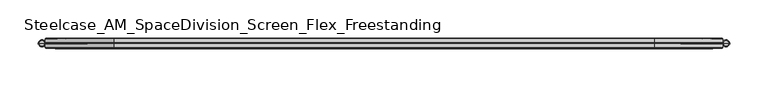
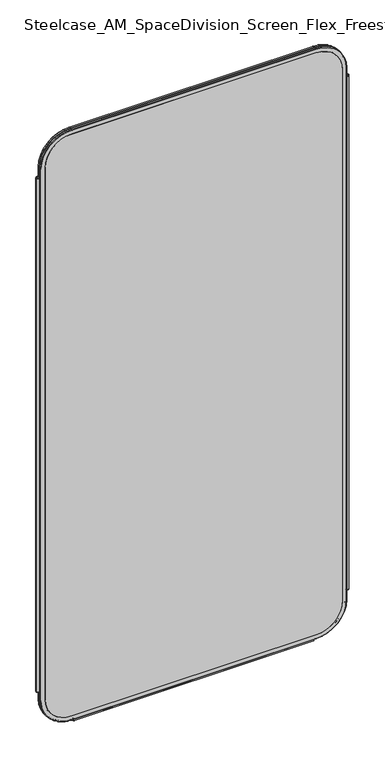
"""IFC4 building model written with IfcOpenShell, lengths in millimetres: furniture geometry, Steelcase_AM_SpaceDivision_Screen_Flex_Freestanding."""

from ifc_helpers import new_model, si_unit, point, frame, frame_2d, origin, place, context, project, spatial, polyline, circle_curve, ellipse_curve, trimmed, segment, composite_curve, outline, extrude, source, transform, mapped, element, save
from ifc_brep_helpers import plane_surface, cylinder_surface, revolved_surface, advanced_brep


def steelcase_am_spacedivision_screen_flex_freestanding_133efeea(model_context):
    return source(origin(), model_context, "Body", "SolidModel", [
        advanced_brep(
        [(898.73, 0.0, 1684.43), (892.1294661, 0.0, 1684.43), (895.429733, 0.0, 1684.43), (900.0, 0.0, 1683.16), (890.8594661, 0.0, 1683.16), (900.0, 0.0, 121.92), (890.8594661, 0.0, 121.92), (898.73, 0.0, 120.65), (892.1294661, 0.0, 120.65), (895.429733, 0.0, 120.65)],
        [
            (0, 1, circle_curve(frame((895.429733, 0.0, 1684.43), z_axis=(0.0, 0.0, 1.0), x_axis=(-1.0, 0.0, 0.0)), 3.300267)),
            (1, 2),
            (2, 0),
            (1, 0, circle_curve(frame((895.429733, 0.0, 1684.43), z_axis=(0.0, 0.0, 1.0), x_axis=(-1.0, 0.0, 0.0)), 3.300267)),
            (3, 4, circle_curve(frame((895.429733, 0.0, 1683.16), z_axis=(0.0, 0.0, 1.0), x_axis=(-1.0, 0.0, 0.0)), 4.570267)),
            (4, 1, circle_curve(frame((892.1294661, 0.0, 1683.16), z_axis=(0.0, 1.0, 0.0), x_axis=(1.0, 0.0, 0.0)), 1.27)),
            (0, 3, circle_curve(frame((898.73, 0.0, 1683.16), z_axis=(0.0, 1.0, 0.0), x_axis=(-1.0, 0.0, 0.0)), 1.27)),
            (4, 3, circle_curve(frame((895.429733, 0.0, 1683.16), z_axis=(0.0, 0.0, 1.0), x_axis=(-1.0, 0.0, 0.0)), 4.570267)),
            (5, 6, circle_curve(frame((895.429733, 0.0, 121.92), z_axis=(0.0, 0.0, 1.0), x_axis=(-1.0, 0.0, 0.0)), 4.570267)),
            (6, 4),
            (3, 5),
            (6, 5, circle_curve(frame((895.429733, 0.0, 121.92), z_axis=(0.0, 0.0, 1.0), x_axis=(-1.0, 0.0, 0.0)), 4.570267)),
            (7, 8, circle_curve(frame((895.429733, 0.0, 120.65), z_axis=(0.0, 0.0, 1.0), x_axis=(-1.0, 0.0, 0.0)), 3.300267)),
            (8, 6, circle_curve(frame((892.1294661, 0.0, 121.92), z_axis=(0.0, 1.0, 0.0), x_axis=(1.0, 0.0, 0.0)), 1.27)),
            (5, 7, circle_curve(frame((898.73, 0.0, 121.92), z_axis=(0.0, 1.0, 0.0), x_axis=(-1.0, 0.0, 0.0)), 1.27)),
            (8, 7, circle_curve(frame((895.429733, 0.0, 120.65), z_axis=(0.0, 0.0, 1.0), x_axis=(-1.0, 0.0, 0.0)), 3.300267)),
            (9, 8),
            (7, 9),
        ],
        [
            plane_surface(frame((895.429733, 0.0, 1684.43), z_axis=(0.0, 0.0, 1.0), x_axis=(-1.0, 0.0, 0.0))),
            revolved_surface(trimmed(ellipse_curve(frame((892.1294661, 0.0, 1683.16), z_axis=(0.0, -1.0, 0.0), x_axis=(1.0, 0.0, 0.0)), 1.27, 1.27), [point((892.1294661, 0.0, 1684.43))], [point((890.8594661, 0.0, 1683.16))], True, "CARTESIAN"), (895.429733, 0.0, 112.3021634), (0.0, 0.0, -1.0)),
            cylinder_surface(frame((895.429733, 0.0, 112.3021634), z_axis=(0.0, 0.0, -1.0), x_axis=(-1.0, 0.0, 0.0)), 4.570267),
            revolved_surface(trimmed(ellipse_curve(frame((892.1294661, 0.0, 121.92), z_axis=(0.0, -1.0, 0.0), x_axis=(1.0, 0.0, 0.0)), 1.27, 1.27), [point((890.8594661, 0.0, 121.92))], [point((892.1294661, 0.0, 120.65))], True, "CARTESIAN"), (895.429733, 0.0, 112.3021634), (0.0, 0.0, -1.0)),
            plane_surface(frame((895.429733, 0.0, 120.65), z_axis=(0.0, 0.0, -1.0), x_axis=(-1.0, 0.0, 0.0))),
        ],
        [
            (0, [[1, 2, 3]]),
            (0, [[4, -3, -2]]),
            (1, [[5, 6, -1, 7]]),
            (1, [[8, -7, -4, -6]]),
            (2, [[9, 10, -5, 11]]),
            (2, [[12, -11, -8, -10]]),
            (3, [[13, 14, -9, 15]]),
            (3, [[16, -15, -12, -14]]),
            (4, [[17, -13, 18]]),
            (4, [[-18, -16, -17]]),
        ],
    ),
        advanced_brep(
        [(7.9329041, 0.0, 120.65), (1.232448, 0.0, 120.65), (0.0, 0.0, 121.882448), (9.1653521, 0.0, 121.882448), (4.582676, 0.0, 120.65), (7.8953521, 0.0, 1684.43), (1.27, 0.0, 1684.43), (4.582676, 0.0, 1684.43), (9.1653521, 0.0, 1683.16), (0.0, 0.0, 1683.16)],
        [
            (0, 1, circle_curve(frame((4.582676, 0.0, 120.65), z_axis=(0.0, 0.0, 1.0), x_axis=(-1.0, 0.0, 0.0)), 3.3502281)),
            (1, 2, circle_curve(frame((1.232448, 0.0, 121.882448), z_axis=(0.0, 1.0, 0.0), x_axis=(1.0, 0.0, 0.0)), 1.232448)),
            (2, 3, circle_curve(frame((4.582676, 0.0, 121.882448), z_axis=(0.0, 0.0, -1.0), x_axis=(-1.0, 0.0, 0.0)), 4.582676)),
            (3, 0, circle_curve(frame((7.9329041, 0.0, 121.882448), z_axis=(0.0, 1.0, 0.0), x_axis=(-1.0, 0.0, 0.0)), 1.232448)),
            (1, 0, circle_curve(frame((4.582676, 0.0, 120.65), z_axis=(0.0, 0.0, 1.0), x_axis=(-1.0, 0.0, 0.0)), 3.3502281)),
            (3, 2, circle_curve(frame((4.582676, 0.0, 121.882448), z_axis=(0.0, 0.0, -1.0), x_axis=(-1.0, 0.0, 0.0)), 4.582676)),
            (4, 1),
            (0, 4),
            (5, 6, circle_curve(frame((4.582676, 0.0, 1684.43), z_axis=(0.0, 0.0, 1.0), x_axis=(-1.0, 0.0, 0.0)), 3.312676)),
            (6, 7),
            (7, 5),
            (6, 5, circle_curve(frame((4.582676, 0.0, 1684.43), z_axis=(0.0, 0.0, 1.0), x_axis=(-1.0, 0.0, 0.0)), 3.312676)),
            (8, 9, circle_curve(frame((4.582676, 0.0, 1683.16), z_axis=(0.0, 0.0, 1.0), x_axis=(-1.0, 0.0, 0.0)), 4.582676)),
            (9, 6, circle_curve(frame((1.27, 0.0, 1683.16), z_axis=(0.0, 1.0, 0.0), x_axis=(1.0, 0.0, 0.0)), 1.27)),
            (5, 8, circle_curve(frame((7.8953521, 0.0, 1683.16), z_axis=(0.0, 1.0, 0.0), x_axis=(-1.0, 0.0, 0.0)), 1.27)),
            (9, 8, circle_curve(frame((4.582676, 0.0, 1683.16), z_axis=(0.0, 0.0, 1.0), x_axis=(-1.0, 0.0, 0.0)), 4.582676)),
            (2, 9),
            (8, 3),
        ],
        [
            revolved_surface(trimmed(ellipse_curve(frame((1.232448, 0.0, 121.882448), z_axis=(0.0, -1.0, 0.0), x_axis=(1.0, 0.0, 0.0)), 1.232448, 1.232448), [point((0.0, 0.0, 121.882448))], [point((1.232448, 0.0, 120.65))], True, "CARTESIAN"), (4.582676, 0.0, 110.6453157), (0.0, 0.0, -1.0)),
            plane_surface(frame((4.582676, 0.0, 120.65), z_axis=(0.0, 0.0, -1.0), x_axis=(-1.0, 0.0, 0.0))),
            plane_surface(frame((4.582676, 0.0, 1684.43), z_axis=(0.0, 0.0, 1.0), x_axis=(-1.0, 0.0, 0.0))),
            revolved_surface(trimmed(ellipse_curve(frame((1.27, 0.0, 1683.16), z_axis=(0.0, -1.0, 0.0), x_axis=(1.0, 0.0, 0.0)), 1.27, 1.27), [point((1.27, 0.0, 1684.43))], [point((0.0, 0.0, 1683.16))], True, "CARTESIAN"), (4.582676, 0.0, 110.6453157), (0.0, 0.0, -1.0)),
            cylinder_surface(frame((4.582676, 0.0, 110.6453157), z_axis=(0.0, 0.0, -1.0), x_axis=(-1.0, 0.0, 0.0)), 4.582676),
        ],
        [
            (0, [[1, 2, 3, 4]]),
            (0, [[5, -4, 6, -2]]),
            (1, [[7, -1, 8]]),
            (1, [[-8, -5, -7]]),
            (2, [[9, 10, 11]]),
            (2, [[12, -11, -10]]),
            (3, [[13, 14, -9, 15]]),
            (3, [[16, -15, -12, -14]]),
            (4, [[-3, 17, -13, 18]]),
            (4, [[-6, -18, -16, -17]]),
        ],
    ),
        extrude(outline(composite_curve([segment(trimmed(circle_curve(frame_2d((3.5, 2.4751953)), 2.5), [point((3.5, 4.9751953))], [point((1.4656663, 1.0220998))], False, "CARTESIAN"), True, "CONTINUOUS"), segment(trimmed(circle_curve(frame_2d((0.0, -0.0248047)), 1.8011626), [point((1.4656663, 1.0220998))], [point((-1.4656663, 1.0220998))], True, "CARTESIAN"), True, "CONTINUOUS"), segment(trimmed(circle_curve(frame_2d((-3.5, 2.4751953)), 2.5), [point((-1.4656663, 1.0220998))], [point((-3.5, 4.9751953))], False, "CARTESIAN"), True, "CONTINUOUS"), segment(trimmed(circle_curve(frame_2d((-3.5, 4.4751953)), 0.5), [point((-3.5, 4.9751953))], [point((-3.5, 3.9751953))], False, "CARTESIAN"), True, "CONTINUOUS"), segment(trimmed(circle_curve(frame_2d((-3.5, 2.4751953)), 1.5), [point((-3.5, 3.9751953))], [point((-2.3025096, 1.5718589))], True, "CARTESIAN"), True, "CONTINUOUS"), segment(trimmed(circle_curve(frame_2d((-10.3325937, 7.629417)), 10.0586411), [point((-2.3025096, 1.5718589))], [point((-0.714976, 4.6836248))], True, "CARTESIAN"), True, "CONTINUOUS"), segment(trimmed(circle_curve(frame_2d((0.0, 4.4646339)), 0.7477618), [point((-0.714976, 4.6836248))], [point((0.714976, 4.6836248))], False, "CARTESIAN"), True, "CONTINUOUS"), segment(trimmed(circle_curve(frame_2d((10.3325937, 7.629417)), 10.0586411), [point((0.714976, 4.6836248))], [point((2.3025096, 1.5718589))], True, "CARTESIAN"), True, "CONTINUOUS"), segment(trimmed(circle_curve(frame_2d((3.5, 2.4751953)), 1.5), [point((2.3025096, 1.5718589))], [point((3.5, 3.9751953))], True, "CARTESIAN"), True, "CONTINUOUS"), segment(trimmed(circle_curve(frame_2d((3.5, 4.4751953)), 0.5), [point((3.5, 3.9751953))], [point((3.5, 4.9751953))], False, "CARTESIAN"), True, "CONTINUOUS")], self_intersect=False)), frame((104.1640108, 0.0, 0.0), z_axis=(1.0, 0.0, 0.0), x_axis=(0.0, 1.0, 0.0)), (0.0, 0.0, 1.0), 691.6719784),
        extrude(outline(composite_curve([segment(trimmed(circle_curve(frame_2d((1711.1, 801.9594661)), 76.2), [point((1711.1, 878.1594661))], [point((1787.3, 801.9594661))], False, "CARTESIAN"), True, "CONTINUOUS"), segment(polyline([(1787.3, 801.9594661), (1787.3, 98.0653521)]), True, "CONTINUOUS"), segment(trimmed(circle_curve(frame_2d((1711.1, 98.0653521)), 76.2), [point((1787.3, 98.0653521))], [point((1711.1, 21.8653521))], False, "CARTESIAN"), True, "CONTINUOUS"), segment(polyline([(1711.1, 21.8653521), (93.8996464, 21.8653521)]), True, "CONTINUOUS"), segment(trimmed(circle_curve(frame_2d((93.8996464, 98.0653521)), 76.2), [point((93.8996464, 21.8653521))], [point((17.6996464, 98.0653521))], False, "CARTESIAN"), True, "CONTINUOUS"), segment(polyline([(17.6996464, 98.0653521), (17.6996464, 801.9594661)]), True, "CONTINUOUS"), segment(trimmed(circle_curve(frame_2d((93.8996464, 801.9594661)), 76.2), [point((17.6996464, 801.9594661))], [point((93.8996464, 878.1594661))], False, "CARTESIAN"), True, "CONTINUOUS"), segment(polyline([(93.8996464, 878.1594661), (1711.1, 878.1594661)]), True, "CONTINUOUS")], self_intersect=False)), frame((0.0, -6.477, 0.0), z_axis=(0.0, 1.0, 0.0), x_axis=(0.0, 0.0, 1.0)), (0.0, 0.0, 1.0), 12.954),
        advanced_brep(
        [(98.0653521, -6.477, 1787.3), (21.8653521, -6.477, 1711.1), (21.8653521, 6.477, 1711.1), (98.0653521, 6.477, 1787.3), (98.0653521, -5.715, 1800.0), (9.1653521, -5.715, 1711.1), (9.9273521, -6.477, 1711.1), (98.0653521, -6.477, 1799.238), (98.0653521, -0.8129491, 1800.0), (9.1653521, -0.8129491, 1711.1), (98.0653521, 0.0, 1799.4093579), (9.7559942, 0.0, 1711.1), (98.0653521, 0.8129491, 1800.0), (9.1653521, 0.8129491, 1711.1), (98.0653521, 5.715, 1800.0), (9.1653521, 5.715, 1711.1), (98.0653521, 6.477, 1799.238), (9.9273521, 6.477, 1711.1), (801.9594661, 6.477, 1787.3), (801.9594661, -6.477, 1787.3), (801.9594661, -6.477, 1799.238), (801.9594661, -5.715, 1800.0), (801.9594661, -0.8129491, 1800.0), (801.9594661, 0.0, 1799.4093579), (801.9594661, 0.8129491, 1800.0), (801.9594661, 5.715, 1800.0), (801.9594661, 6.477, 1799.238), (878.1594661, -6.477, 1711.1), (878.1594661, 6.477, 1711.1), (890.8594661, -5.715, 1711.1), (890.0974661, -6.477, 1711.1), (890.8594661, -0.8129491, 1711.1), (890.2688239, 0.0, 1711.1), (890.8594661, 0.8129491, 1711.1), (890.8594661, 5.715, 1711.1), (890.0974661, 6.477, 1711.1), (878.1594661, 6.477, 93.8996464), (878.1594661, -6.477, 93.8996464), (890.0974661, -6.477, 93.8996464), (890.8594661, -5.715, 93.8996464), (890.8594661, -0.8129491, 93.8996464), (890.2688239, 0.0, 93.8996464), (890.8594661, 0.8129491, 93.8996464), (890.8594661, 5.715, 93.8996464), (890.0974661, 6.477, 93.8996464), (801.9594661, -6.477, 17.6996464), (801.9594661, 6.477, 17.6996464), (801.9594661, -5.715, 4.9996464), (801.9594661, -6.477, 5.7616464), (801.9594661, -0.8129491, 4.9996464), (801.9594661, 0.0, 5.5902885), (801.9594661, 0.8129491, 4.9996464), (801.9594661, 5.715, 4.9996464), (801.9594661, 6.477, 5.7616464), (98.0653521, 6.477, 17.6996464), (98.0653521, -6.477, 17.6996464), (98.0653521, -6.477, 5.7616464), (98.0653521, -5.715, 4.9996464), (98.0653521, -0.8129491, 4.9996464), (98.0653521, 0.0, 5.5902885), (98.0653521, 0.8129491, 4.9996464), (98.0653521, 5.715, 4.9996464), (98.0653521, 6.477, 5.7616464), (21.8653521, -6.477, 93.8996464), (21.8653521, 6.477, 93.8996464), (9.1653521, -5.715, 93.8996464), (9.9273521, -6.477, 93.8996464), (9.1653521, -0.8129491, 93.8996464), (9.7559942, 0.0, 93.8996464), (9.1653521, 0.8129491, 93.8996464), (9.1653521, 5.715, 93.8996464), (9.9273521, 6.477, 93.8996464)],
        [
            (0, 1, circle_curve(frame((98.0653521, -6.477, 1711.1), z_axis=(0.0, -1.0, 0.0), x_axis=(-1.0, 0.0, 0.0)), 76.2)),
            (1, 2),
            (2, 3, circle_curve(frame((98.0653521, 6.477, 1711.1), z_axis=(0.0, 1.0, 0.0), x_axis=(-1.0, 0.0, 0.0)), 76.2)),
            (3, 0),
            (4, 5, circle_curve(frame((98.0653521, -5.715, 1711.1), z_axis=(0.0, -1.0, 0.0), x_axis=(-1.0, 0.0, 0.0)), 88.9)),
            (5, 6, circle_curve(frame((9.9273521, -5.715, 1711.1), z_axis=(0.0, 0.0, 1.0), x_axis=(-1.0, 0.0, 0.0)), 0.762)),
            (6, 7, circle_curve(frame((98.0653521, -6.477, 1711.1), z_axis=(0.0, 1.0, 0.0), x_axis=(-1.0, 0.0, 0.0)), 88.138)),
            (7, 4, circle_curve(frame((98.0653521, -5.715, 1799.238), z_axis=(-1.0, 0.0, 0.0), x_axis=(0.0, 0.0, 1.0)), 0.762)),
            (8, 9, circle_curve(frame((98.0653521, -0.8129491, 1711.1), z_axis=(0.0, -1.0, 0.0), x_axis=(-1.0, 0.0, 0.0)), 88.9)),
            (9, 5),
            (4, 8),
            (10, 11, circle_curve(frame((98.0653521, 0.0, 1711.1), z_axis=(0.0, -1.0, 0.0), x_axis=(-1.0, 0.0, 0.0)), 88.3093579)),
            (11, 9, circle_curve(frame((10.0201374, -0.8129491, 1711.1), z_axis=(0.0, 0.0, 1.0), x_axis=(-1.0, 0.0, 0.0)), 0.8547853)),
            (8, 10, circle_curve(frame((98.0653521, -0.8129491, 1799.1452147), z_axis=(-1.0, 0.0, 0.0), x_axis=(0.0, 0.0, 1.0)), 0.8547853)),
            (12, 13, circle_curve(frame((98.0653521, 0.8129491, 1711.1), z_axis=(0.0, -1.0, 0.0), x_axis=(-1.0, 0.0, 0.0)), 88.9)),
            (13, 11, circle_curve(frame((10.0201374, 0.8129491, 1711.1), z_axis=(0.0, 0.0, 1.0), x_axis=(-1.0, 0.0, 0.0)), 0.8547853)),
            (10, 12, circle_curve(frame((98.0653521, 0.8129491, 1799.1452147), z_axis=(-1.0, 0.0, 0.0), x_axis=(0.0, 0.0, 1.0)), 0.8547853)),
            (14, 15, circle_curve(frame((98.0653521, 5.715, 1711.1), z_axis=(0.0, -1.0, 0.0), x_axis=(-1.0, 0.0, 0.0)), 88.9)),
            (15, 13),
            (12, 14),
            (16, 17, circle_curve(frame((98.0653521, 6.477, 1711.1), z_axis=(0.0, -1.0, 0.0), x_axis=(-1.0, 0.0, 0.0)), 88.138)),
            (17, 15, circle_curve(frame((9.9273521, 5.715, 1711.1), z_axis=(0.0, 0.0, 1.0), x_axis=(-1.0, 0.0, 0.0)), 0.762)),
            (14, 16, circle_curve(frame((98.0653521, 5.715, 1799.238), z_axis=(-1.0, 0.0, 0.0), x_axis=(0.0, 0.0, 1.0)), 0.762)),
            (3, 18),
            (18, 19),
            (19, 0),
            (7, 20),
            (20, 21, circle_curve(frame((801.9594661, -5.715, 1799.238), z_axis=(-1.0, 0.0, 0.0), x_axis=(0.0, 0.0, 1.0)), 0.762)),
            (21, 4),
            (21, 22),
            (22, 8),
            (22, 23, circle_curve(frame((801.9594661, -0.8129491, 1799.1452147), z_axis=(-1.0, 0.0, 0.0), x_axis=(0.0, 0.0, 1.0)), 0.8547853)),
            (23, 10),
            (23, 24, circle_curve(frame((801.9594661, 0.8129491, 1799.1452147), z_axis=(-1.0, 0.0, 0.0), x_axis=(0.0, 0.0, 1.0)), 0.8547853)),
            (24, 12),
            (24, 25),
            (25, 14),
            (25, 26, circle_curve(frame((801.9594661, 5.715, 1799.238), z_axis=(-1.0, 0.0, 0.0), x_axis=(0.0, 0.0, 1.0)), 0.762)),
            (26, 16),
            (27, 19, circle_curve(frame((801.9594661, -6.477, 1711.1), z_axis=(0.0, -1.0, 0.0), x_axis=(0.0, 0.0, 1.0)), 76.2)),
            (18, 28, circle_curve(frame((801.9594661, 6.477, 1711.1), z_axis=(0.0, 1.0, 0.0), x_axis=(0.0, 0.0, 1.0)), 76.2)),
            (28, 27),
            (29, 21, circle_curve(frame((801.9594661, -5.715, 1711.1), z_axis=(0.0, -1.0, 0.0), x_axis=(0.0, 0.0, 1.0)), 88.9)),
            (20, 30, circle_curve(frame((801.9594661, -6.477, 1711.1), z_axis=(0.0, 1.0, 0.0), x_axis=(0.0, 0.0, 1.0)), 88.138)),
            (30, 29, circle_curve(frame((890.0974661, -5.715, 1711.1), z_axis=(0.0, 0.0, 1.0), x_axis=(1.0, 0.0, 0.0)), 0.762)),
            (31, 22, circle_curve(frame((801.9594661, -0.8129491, 1711.1), z_axis=(0.0, -1.0, 0.0), x_axis=(0.0, 0.0, 1.0)), 88.9)),
            (29, 31),
            (32, 23, circle_curve(frame((801.9594661, 0.0, 1711.1), z_axis=(0.0, -1.0, 0.0), x_axis=(0.0, 0.0, 1.0)), 88.3093579)),
            (31, 32, circle_curve(frame((890.0046808, -0.8129491, 1711.1), z_axis=(0.0, 0.0, 1.0), x_axis=(1.0, 0.0, 0.0)), 0.8547853)),
            (33, 24, circle_curve(frame((801.9594661, 0.8129491, 1711.1), z_axis=(0.0, -1.0, 0.0), x_axis=(0.0, 0.0, 1.0)), 88.9)),
            (32, 33, circle_curve(frame((890.0046808, 0.8129491, 1711.1), z_axis=(0.0, 0.0, 1.0), x_axis=(1.0, 0.0, 0.0)), 0.8547853)),
            (34, 25, circle_curve(frame((801.9594661, 5.715, 1711.1), z_axis=(0.0, -1.0, 0.0), x_axis=(0.0, 0.0, 1.0)), 88.9)),
            (33, 34),
            (35, 26, circle_curve(frame((801.9594661, 6.477, 1711.1), z_axis=(0.0, -1.0, 0.0), x_axis=(0.0, 0.0, 1.0)), 88.138)),
            (34, 35, circle_curve(frame((890.0974661, 5.715, 1711.1), z_axis=(0.0, 0.0, 1.0), x_axis=(1.0, 0.0, 0.0)), 0.762)),
            (28, 36),
            (36, 37),
            (37, 27),
            (30, 38),
            (38, 39, circle_curve(frame((890.0974661, -5.715, 93.8996464), z_axis=(0.0, 0.0, 1.0), x_axis=(1.0, 0.0, 0.0)), 0.762)),
            (39, 29),
            (39, 40),
            (40, 31),
            (40, 41, circle_curve(frame((890.0046808, -0.8129491, 93.8996464), z_axis=(0.0, 0.0, 1.0), x_axis=(1.0, 0.0, 0.0)), 0.8547853)),
            (41, 32),
            (41, 42, circle_curve(frame((890.0046808, 0.8129491, 93.8996464), z_axis=(0.0, 0.0, 1.0), x_axis=(1.0, 0.0, 0.0)), 0.8547853)),
            (42, 33),
            (42, 43),
            (43, 34),
            (43, 44, circle_curve(frame((890.0974661, 5.715, 93.8996464), z_axis=(0.0, 0.0, 1.0), x_axis=(1.0, 0.0, 0.0)), 0.762)),
            (44, 35),
            (45, 37, circle_curve(frame((801.9594661, -6.477, 93.8996464), z_axis=(0.0, -1.0, 0.0), x_axis=(1.0, 0.0, 0.0)), 76.2)),
            (36, 46, circle_curve(frame((801.9594661, 6.477, 93.8996464), z_axis=(0.0, 1.0, 0.0), x_axis=(1.0, 0.0, 0.0)), 76.2)),
            (46, 45),
            (47, 39, circle_curve(frame((801.9594661, -5.715, 93.8996464), z_axis=(0.0, -1.0, 0.0), x_axis=(1.0, 0.0, 0.0)), 88.9)),
            (38, 48, circle_curve(frame((801.9594661, -6.477, 93.8996464), z_axis=(0.0, 1.0, 0.0), x_axis=(1.0, 0.0, 0.0)), 88.138)),
            (48, 47, circle_curve(frame((801.9594661, -5.715, 5.7616464), z_axis=(1.0, 0.0, 0.0), x_axis=(0.0, 0.0, -1.0)), 0.762)),
            (49, 40, circle_curve(frame((801.9594661, -0.8129491, 93.8996464), z_axis=(0.0, -1.0, 0.0), x_axis=(1.0, 0.0, 0.0)), 88.9)),
            (47, 49),
            (50, 41, circle_curve(frame((801.9594661, 0.0, 93.8996464), z_axis=(0.0, -1.0, 0.0), x_axis=(1.0, 0.0, 0.0)), 88.3093579)),
            (49, 50, circle_curve(frame((801.9594661, -0.8129491, 5.8544317), z_axis=(1.0, 0.0, 0.0), x_axis=(0.0, 0.0, -1.0)), 0.8547853)),
            (51, 42, circle_curve(frame((801.9594661, 0.8129491, 93.8996464), z_axis=(0.0, -1.0, 0.0), x_axis=(1.0, 0.0, 0.0)), 88.9)),
            (50, 51, circle_curve(frame((801.9594661, 0.8129491, 5.8544317), z_axis=(1.0, 0.0, 0.0), x_axis=(0.0, 0.0, -1.0)), 0.8547853)),
            (52, 43, circle_curve(frame((801.9594661, 5.715, 93.8996464), z_axis=(0.0, -1.0, 0.0), x_axis=(1.0, 0.0, 0.0)), 88.9)),
            (51, 52),
            (53, 44, circle_curve(frame((801.9594661, 6.477, 93.8996464), z_axis=(0.0, -1.0, 0.0), x_axis=(1.0, 0.0, 0.0)), 88.138)),
            (52, 53, circle_curve(frame((801.9594661, 5.715, 5.7616464), z_axis=(1.0, 0.0, 0.0), x_axis=(0.0, 0.0, -1.0)), 0.762)),
            (46, 54),
            (54, 55),
            (55, 45),
            (48, 56),
            (56, 57, circle_curve(frame((98.0653521, -5.715, 5.7616464), z_axis=(1.0, 0.0, 0.0), x_axis=(0.0, 0.0, -1.0)), 0.762)),
            (57, 47),
            (57, 58),
            (58, 49),
            (58, 59, circle_curve(frame((98.0653521, -0.8129491, 5.8544317), z_axis=(1.0, 0.0, 0.0), x_axis=(0.0, 0.0, -1.0)), 0.8547853)),
            (59, 50),
            (59, 60, circle_curve(frame((98.0653521, 0.8129491, 5.8544317), z_axis=(1.0, 0.0, 0.0), x_axis=(0.0, 0.0, -1.0)), 0.8547853)),
            (60, 51),
            (60, 61),
            (61, 52),
            (61, 62, circle_curve(frame((98.0653521, 5.715, 5.7616464), z_axis=(1.0, 0.0, 0.0), x_axis=(0.0, 0.0, -1.0)), 0.762)),
            (62, 53),
            (63, 55, circle_curve(frame((98.0653521, -6.477, 93.8996464), z_axis=(0.0, -1.0, 0.0), x_axis=(0.0, 0.0, -1.0)), 76.2)),
            (54, 64, circle_curve(frame((98.0653521, 6.477, 93.8996464), z_axis=(0.0, 1.0, 0.0), x_axis=(0.0, 0.0, -1.0)), 76.2)),
            (64, 63),
            (65, 57, circle_curve(frame((98.0653521, -5.715, 93.8996464), z_axis=(0.0, -1.0, 0.0), x_axis=(0.0, 0.0, -1.0)), 88.9)),
            (56, 66, circle_curve(frame((98.0653521, -6.477, 93.8996464), z_axis=(0.0, 1.0, 0.0), x_axis=(0.0, 0.0, -1.0)), 88.138)),
            (66, 65, circle_curve(frame((9.9273521, -5.715, 93.8996464), z_axis=(0.0, 0.0, -1.0), x_axis=(-1.0, 0.0, 0.0)), 0.762)),
            (67, 58, circle_curve(frame((98.0653521, -0.8129491, 93.8996464), z_axis=(0.0, -1.0, 0.0), x_axis=(0.0, 0.0, -1.0)), 88.9)),
            (65, 67),
            (68, 59, circle_curve(frame((98.0653521, 0.0, 93.8996464), z_axis=(0.0, -1.0, 0.0), x_axis=(0.0, 0.0, -1.0)), 88.3093579)),
            (67, 68, circle_curve(frame((10.0201374, -0.8129491, 93.8996464), z_axis=(0.0, 0.0, -1.0), x_axis=(-1.0, 0.0, 0.0)), 0.8547853)),
            (69, 60, circle_curve(frame((98.0653521, 0.8129491, 93.8996464), z_axis=(0.0, -1.0, 0.0), x_axis=(0.0, 0.0, -1.0)), 88.9)),
            (68, 69, circle_curve(frame((10.0201374, 0.8129491, 93.8996464), z_axis=(0.0, 0.0, -1.0), x_axis=(-1.0, 0.0, 0.0)), 0.8547853)),
            (70, 61, circle_curve(frame((98.0653521, 5.715, 93.8996464), z_axis=(0.0, -1.0, 0.0), x_axis=(0.0, 0.0, -1.0)), 88.9)),
            (69, 70),
            (71, 62, circle_curve(frame((98.0653521, 6.477, 93.8996464), z_axis=(0.0, -1.0, 0.0), x_axis=(0.0, 0.0, -1.0)), 88.138)),
            (70, 71, circle_curve(frame((9.9273521, 5.715, 93.8996464), z_axis=(0.0, 0.0, -1.0), x_axis=(-1.0, 0.0, 0.0)), 0.762)),
            (64, 2),
            (1, 63),
            (6, 66),
            (5, 65),
            (9, 67),
            (11, 68),
            (13, 69),
            (15, 70),
            (17, 71),
        ],
        [
            revolved_surface(polyline([(21.865352099999996, 6.477, 1711.1), (21.865352099999996, -6.477, 1711.1)]), (98.0653521, 0.0, 1711.1), (0.0, 1.0, 0.0)),
            revolved_surface(trimmed(ellipse_curve(frame((9.9273521, -5.715, 1711.1), z_axis=(0.0, 0.0, -1.0), x_axis=(-1.0, 0.0, 0.0)), 0.762, 0.762), [point((9.9273521, -6.477, 1711.1))], [point((9.1653521, -5.715, 1711.1))], True, "CARTESIAN"), (98.0653521, 0.0, 1711.1), (0.0, 1.0, 0.0)),
            cylinder_surface(frame((98.0653521, 0.0, 1711.1), z_axis=(0.0, 1.0, 0.0), x_axis=(-1.0, 0.0, 0.0)), 88.9),
            revolved_surface(trimmed(ellipse_curve(frame((10.0201374, -0.8129491, 1711.1), z_axis=(0.0, 0.0, -1.0), x_axis=(-1.0, 0.0, 0.0)), 0.8547853, 0.8547853), [point((9.1653521, -0.8129491, 1711.1))], [point((9.7559942, 0.0, 1711.1))], True, "CARTESIAN"), (98.0653521, 0.0, 1711.1), (0.0, 1.0, 0.0)),
            revolved_surface(trimmed(ellipse_curve(frame((10.0201374, 0.8129491, 1711.1), z_axis=(0.0, 0.0, -1.0), x_axis=(-1.0, 0.0, 0.0)), 0.8547853, 0.8547853), [point((9.7559942, 0.0, 1711.1))], [point((9.1653521, 0.8129491, 1711.1))], True, "CARTESIAN"), (98.0653521, 0.0, 1711.1), (0.0, 1.0, 0.0)),
            revolved_surface(trimmed(ellipse_curve(frame((9.9273521, 5.715, 1711.1), z_axis=(0.0, 0.0, -1.0), x_axis=(-1.0, 0.0, 0.0)), 0.762, 0.762), [point((9.1653521, 5.715, 1711.1))], [point((9.9273521, 6.477, 1711.1))], True, "CARTESIAN"), (98.0653521, 0.0, 1711.1), (0.0, 1.0, 0.0)),
            plane_surface(frame((98.0653521, 6.477, 1787.3), z_axis=(0.0, 0.0, -1.0), x_axis=(1.0, 0.0, 0.0))),
            cylinder_surface(frame((98.0653521, -5.715, 1799.238), z_axis=(-1.0, 0.0, 0.0), x_axis=(0.0, 0.0, 1.0)), 0.762),
            plane_surface(frame((98.0653521, -5.715, 1800.0), z_axis=(0.0, 0.0, 1.0), x_axis=(1.0, 0.0, 0.0))),
            cylinder_surface(frame((98.0653521, -0.8129491, 1799.1452147), z_axis=(-1.0, 0.0, 0.0), x_axis=(0.0, 0.0, 1.0)), 0.8547853),
            cylinder_surface(frame((98.0653521, 0.8129491, 1799.1452147), z_axis=(-1.0, 0.0, 0.0), x_axis=(0.0, 0.0, 1.0)), 0.8547853),
            plane_surface(frame((98.0653521, 0.8129491, 1800.0), z_axis=(0.0, 0.0, 1.0), x_axis=(1.0, 0.0, 0.0))),
            cylinder_surface(frame((98.0653521, 5.715, 1799.238), z_axis=(-1.0, 0.0, 0.0), x_axis=(0.0, 0.0, 1.0)), 0.762),
            revolved_surface(polyline([(801.9594661, 6.477, 1787.3), (801.9594661, -6.477, 1787.3)]), (801.9594661, 0.0, 1711.1), (0.0, 1.0, 0.0)),
            revolved_surface(trimmed(ellipse_curve(frame((801.9594661, -5.715, 1799.238), z_axis=(-1.0, 0.0, 0.0), x_axis=(0.0, 0.0, 1.0)), 0.762, 0.762), [point((801.9594661, -6.477, 1799.238))], [point((801.9594661, -5.715, 1800.0))], True, "CARTESIAN"), (801.9594661, 0.0, 1711.1), (0.0, 1.0, 0.0)),
            cylinder_surface(frame((801.9594661, 0.0, 1711.1), z_axis=(0.0, 1.0, 0.0), x_axis=(0.0, 0.0, 1.0)), 88.9),
            revolved_surface(trimmed(ellipse_curve(frame((801.9594661, -0.8129491, 1799.1452147), z_axis=(-1.0, 0.0, 0.0), x_axis=(0.0, 0.0, 1.0)), 0.8547853, 0.8547853), [point((801.9594661, -0.8129491, 1800.0))], [point((801.9594661, 0.0, 1799.4093579))], True, "CARTESIAN"), (801.9594661, 0.0, 1711.1), (0.0, 1.0, 0.0)),
            revolved_surface(trimmed(ellipse_curve(frame((801.9594661, 0.8129491, 1799.1452147), z_axis=(-1.0, 0.0, 0.0), x_axis=(0.0, 0.0, 1.0)), 0.8547853, 0.8547853), [point((801.9594661, 0.0, 1799.4093579))], [point((801.9594661, 0.8129491, 1800.0))], True, "CARTESIAN"), (801.9594661, 0.0, 1711.1), (0.0, 1.0, 0.0)),
            revolved_surface(trimmed(ellipse_curve(frame((801.9594661, 5.715, 1799.238), z_axis=(-1.0, 0.0, 0.0), x_axis=(0.0, 0.0, 1.0)), 0.762, 0.762), [point((801.9594661, 5.715, 1800.0))], [point((801.9594661, 6.477, 1799.238))], True, "CARTESIAN"), (801.9594661, 0.0, 1711.1), (0.0, 1.0, 0.0)),
            plane_surface(frame((878.1594661, 6.477, 1711.1), z_axis=(-1.0, 0.0, 0.0), x_axis=(0.0, 0.0, -1.0))),
            cylinder_surface(frame((890.0974661, -5.715, 1711.1), z_axis=(0.0, 0.0, 1.0), x_axis=(1.0, 0.0, 0.0)), 0.762),
            plane_surface(frame((890.8594661, -5.715, 1711.1), z_axis=(1.0, 0.0, 0.0), x_axis=(0.0, 0.0, -1.0))),
            cylinder_surface(frame((890.0046808, -0.8129491, 1711.1), z_axis=(0.0, 0.0, 1.0), x_axis=(1.0, 0.0, 0.0)), 0.8547853),
            cylinder_surface(frame((890.0046808, 0.8129491, 1711.1), z_axis=(0.0, 0.0, 1.0), x_axis=(1.0, 0.0, 0.0)), 0.8547853),
            plane_surface(frame((890.8594661, 0.8129491, 1711.1), z_axis=(1.0, 0.0, 0.0), x_axis=(0.0, 0.0, -1.0))),
            cylinder_surface(frame((890.0974661, 5.715, 1711.1), z_axis=(0.0, 0.0, 1.0), x_axis=(1.0, 0.0, 0.0)), 0.762),
            revolved_surface(polyline([(878.1594661, 6.477, 93.8996464), (878.1594661, -6.477, 93.8996464)]), (801.9594661, 0.0, 93.8996464), (0.0, 1.0, 0.0)),
            revolved_surface(trimmed(ellipse_curve(frame((890.0974661, -5.715, 93.8996464), z_axis=(0.0, 0.0, 1.0), x_axis=(1.0, 0.0, 0.0)), 0.762, 0.762), [point((890.0974661, -6.477, 93.8996464))], [point((890.8594661, -5.715, 93.8996464))], True, "CARTESIAN"), (801.9594661, 0.0, 93.8996464), (0.0, 1.0, 0.0)),
            cylinder_surface(frame((801.9594661, 0.0, 93.8996464), z_axis=(0.0, 1.0, 0.0), x_axis=(1.0, 0.0, 0.0)), 88.9),
            revolved_surface(trimmed(ellipse_curve(frame((890.0046808, -0.8129491, 93.8996464), z_axis=(0.0, 0.0, 1.0), x_axis=(1.0, 0.0, 0.0)), 0.8547853, 0.8547853), [point((890.8594661, -0.8129491, 93.8996464))], [point((890.2688239, 0.0, 93.8996464))], True, "CARTESIAN"), (801.9594661, 0.0, 93.8996464), (0.0, 1.0, 0.0)),
            revolved_surface(trimmed(ellipse_curve(frame((890.0046808, 0.8129491, 93.8996464), z_axis=(0.0, 0.0, 1.0), x_axis=(1.0, 0.0, 0.0)), 0.8547853, 0.8547853), [point((890.2688239, 0.0, 93.8996464))], [point((890.8594661, 0.8129491, 93.8996464))], True, "CARTESIAN"), (801.9594661, 0.0, 93.8996464), (0.0, 1.0, 0.0)),
            revolved_surface(trimmed(ellipse_curve(frame((890.0974661, 5.715, 93.8996464), z_axis=(0.0, 0.0, 1.0), x_axis=(1.0, 0.0, 0.0)), 0.762, 0.762), [point((890.8594661, 5.715, 93.8996464))], [point((890.0974661, 6.477, 93.8996464))], True, "CARTESIAN"), (801.9594661, 0.0, 93.8996464), (0.0, 1.0, 0.0)),
            plane_surface(frame((801.9594661, 6.477, 17.6996464), z_axis=(0.0, 0.0, 1.0), x_axis=(-1.0, 0.0, 0.0))),
            cylinder_surface(frame((801.9594661, -5.715, 5.7616464), z_axis=(1.0, 0.0, 0.0), x_axis=(0.0, 0.0, -1.0)), 0.762),
            plane_surface(frame((801.9594661, -5.715, 4.9996464), z_axis=(0.0, 0.0, -1.0), x_axis=(-1.0, 0.0, 0.0))),
            cylinder_surface(frame((801.9594661, -0.8129491, 5.8544317), z_axis=(1.0, 0.0, 0.0), x_axis=(0.0, 0.0, -1.0)), 0.8547853),
            cylinder_surface(frame((801.9594661, 0.8129491, 5.8544317), z_axis=(1.0, 0.0, 0.0), x_axis=(0.0, 0.0, -1.0)), 0.8547853),
            plane_surface(frame((801.9594661, 0.8129491, 4.9996464), z_axis=(0.0, 0.0, -1.0), x_axis=(-1.0, 0.0, 0.0))),
            cylinder_surface(frame((801.9594661, 5.715, 5.7616464), z_axis=(1.0, 0.0, 0.0), x_axis=(0.0, 0.0, -1.0)), 0.762),
            revolved_surface(polyline([(98.0653521, 6.477, 17.699646399999992), (98.0653521, -6.477, 17.699646399999992)]), (98.0653521, 0.0, 93.8996464), (0.0, 1.0, 0.0)),
            revolved_surface(trimmed(ellipse_curve(frame((98.0653521, -5.715, 5.7616464), z_axis=(1.0, 0.0, 0.0), x_axis=(0.0, 0.0, -1.0)), 0.762, 0.762), [point((98.0653521, -6.477, 5.7616464))], [point((98.0653521, -5.715, 4.9996464))], True, "CARTESIAN"), (98.0653521, 0.0, 93.8996464), (0.0, 1.0, 0.0)),
            cylinder_surface(frame((98.0653521, 0.0, 93.8996464), z_axis=(0.0, 1.0, 0.0), x_axis=(0.0, 0.0, -1.0)), 88.9),
            revolved_surface(trimmed(ellipse_curve(frame((98.0653521, -0.8129491, 5.8544317), z_axis=(1.0, 0.0, 0.0), x_axis=(0.0, 0.0, -1.0)), 0.8547853, 0.8547853), [point((98.0653521, -0.8129491, 4.9996464))], [point((98.0653521, 0.0, 5.5902885))], True, "CARTESIAN"), (98.0653521, 0.0, 93.8996464), (0.0, 1.0, 0.0)),
            revolved_surface(trimmed(ellipse_curve(frame((98.0653521, 0.8129491, 5.8544317), z_axis=(1.0, 0.0, 0.0), x_axis=(0.0, 0.0, -1.0)), 0.8547853, 0.8547853), [point((98.0653521, 0.0, 5.5902885))], [point((98.0653521, 0.8129491, 4.9996464))], True, "CARTESIAN"), (98.0653521, 0.0, 93.8996464), (0.0, 1.0, 0.0)),
            revolved_surface(trimmed(ellipse_curve(frame((98.0653521, 5.715, 5.7616464), z_axis=(1.0, 0.0, 0.0), x_axis=(0.0, 0.0, -1.0)), 0.762, 0.762), [point((98.0653521, 5.715, 4.9996464))], [point((98.0653521, 6.477, 5.7616464))], True, "CARTESIAN"), (98.0653521, 0.0, 93.8996464), (0.0, 1.0, 0.0)),
            plane_surface(frame((21.8653521, 6.477, 93.8996464), z_axis=(1.0, 0.0, 0.0), x_axis=(0.0, 0.0, 1.0))),
            plane_surface(frame((21.8653521, -6.477, 93.8996464), z_axis=(0.0, -1.0, 0.0), x_axis=(0.0, 0.0, 1.0))),
            cylinder_surface(frame((9.9273521, -5.715, 93.8996464), z_axis=(0.0, 0.0, -1.0), x_axis=(-1.0, 0.0, 0.0)), 0.762),
            plane_surface(frame((9.1653521, -5.715, 93.8996464), z_axis=(-1.0, 0.0, 0.0), x_axis=(0.0, 0.0, 1.0))),
            cylinder_surface(frame((10.0201374, -0.8129491, 93.8996464), z_axis=(0.0, 0.0, -1.0), x_axis=(-1.0, 0.0, 0.0)), 0.8547853),
            cylinder_surface(frame((10.0201374, 0.8129491, 93.8996464), z_axis=(0.0, 0.0, -1.0), x_axis=(-1.0, 0.0, 0.0)), 0.8547853),
            plane_surface(frame((9.1653521, 0.8129491, 93.8996464), z_axis=(-1.0, 0.0, 0.0), x_axis=(0.0, 0.0, 1.0))),
            cylinder_surface(frame((9.9273521, 5.715, 93.8996464), z_axis=(0.0, 0.0, -1.0), x_axis=(-1.0, 0.0, 0.0)), 0.762),
            plane_surface(frame((9.9273521, 6.477, 93.8996464), z_axis=(0.0, 1.0, 0.0), x_axis=(0.0, 0.0, 1.0))),
        ],
        [
            (0, [[1, 2, 3, 4]]),
            (1, [[5, 6, 7, 8]]),
            (2, [[9, 10, -5, 11]]),
            (3, [[12, 13, -9, 14]]),
            (4, [[15, 16, -12, 17]]),
            (2, [[18, 19, -15, 20]]),
            (5, [[21, 22, -18, 23]]),
            (6, [[-4, 24, 25, 26]]),
            (7, [[-8, 27, 28, 29]]),
            (8, [[-11, -29, 30, 31]]),
            (9, [[-14, -31, 32, 33]]),
            (10, [[-17, -33, 34, 35]]),
            (11, [[-20, -35, 36, 37]]),
            (12, [[-23, -37, 38, 39]]),
            (13, [[40, -25, 41, 42]]),
            (14, [[43, -28, 44, 45]]),
            (15, [[46, -30, -43, 47]]),
            (16, [[48, -32, -46, 49]]),
            (17, [[50, -34, -48, 51]]),
            (15, [[52, -36, -50, 53]]),
            (18, [[54, -38, -52, 55]]),
            (19, [[-42, 56, 57, 58]]),
            (20, [[-45, 59, 60, 61]]),
            (21, [[-47, -61, 62, 63]]),
            (22, [[-49, -63, 64, 65]]),
            (23, [[-51, -65, 66, 67]]),
            (24, [[-53, -67, 68, 69]]),
            (25, [[-55, -69, 70, 71]]),
            (26, [[72, -57, 73, 74]]),
            (27, [[75, -60, 76, 77]]),
            (28, [[78, -62, -75, 79]]),
            (29, [[80, -64, -78, 81]]),
            (30, [[82, -66, -80, 83]]),
            (28, [[84, -68, -82, 85]]),
            (31, [[86, -70, -84, 87]]),
            (32, [[-74, 88, 89, 90]]),
            (33, [[-77, 91, 92, 93]]),
            (34, [[-79, -93, 94, 95]]),
            (35, [[-81, -95, 96, 97]]),
            (36, [[-83, -97, 98, 99]]),
            (37, [[-85, -99, 100, 101]]),
            (38, [[-87, -101, 102, 103]]),
            (39, [[104, -89, 105, 106]]),
            (40, [[107, -92, 108, 109]]),
            (41, [[110, -94, -107, 111]]),
            (42, [[112, -96, -110, 113]]),
            (43, [[114, -98, -112, 115]]),
            (41, [[116, -100, -114, 117]]),
            (44, [[118, -102, -116, 119]]),
            (45, [[-106, 120, -2, 121]]),
            (46, [[122, -108, -91, -76, -59, -44, -27, -7], [-90, -104, -121, -1, -26, -40, -58, -72]]),
            (47, [[-109, -122, -6, 123]]),
            (48, [[-111, -123, -10, 124]]),
            (49, [[-113, -124, -13, 125]]),
            (50, [[-115, -125, -16, 126]]),
            (51, [[-117, -126, -19, 127]]),
            (52, [[-119, -127, -22, 128]]),
            (53, [[-103, -118, -128, -21, -39, -54, -71, -86], [-120, -105, -88, -73, -56, -41, -24, -3]]),
        ],
    ),
    ])


if __name__ == "__main__":
    model = new_model("IFC4")
    model_context = context("Model", 3, world=origin())
    ifc_project = project(units=[si_unit("LENGTHUNIT", "METRE", prefix="MILLI")], contexts=[model_context])
    site = spatial("IfcSite", under=ifc_project)
    building = spatial("IfcBuilding", under=site)
    placement = place(None, origin())
    steelcase_am_spacedivision_screen_flex_freestanding_shape = steelcase_am_spacedivision_screen_flex_freestanding_133efeea(model_context)
    element("IfcFurniture", 1, ObjectType="Steelcase_AM_SpaceDivision_Screen_Flex_Freestanding", at=placement, inside=building, context=model_context, shape_type="MappedRepresentation", body=[
        mapped(steelcase_am_spacedivision_screen_flex_freestanding_shape, transform((0.0, 0.0, 0.0), x_axis=(1.0, 0.0, 0.0), y_axis=(0.0, 1.0, 0.0), z_axis=(0.0, 0.0, 1.0))),
    ])
    save(model, "model.ifc")
